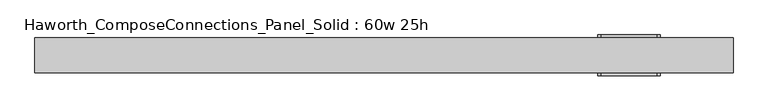
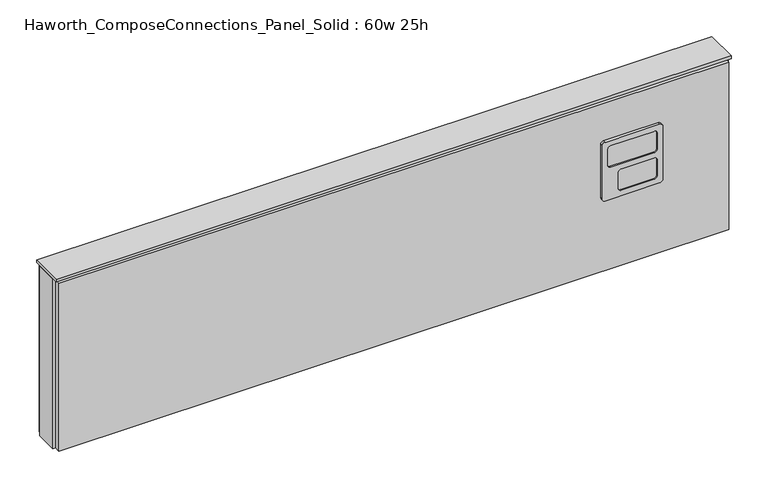
"""IFC4 building model written with IfcOpenShell, lengths in millimetres: furniture geometry, Haworth_ComposeConnections_Panel_Solid : 60w 25h."""

import ifcopenshell
import ifcopenshell.guid

model = None  # the IFC model being written
_history = None  # IfcOwnerHistory: only IFC2X3 demands one
_inside = {}  # id of a spatial element -> (the spatial element, [elements in it])
_under = {}  # id of a project, library or spatial element -> (it, [spatial elements below it])
_declared = {}  # id of a project -> (the project, [libraries it declares])
_typed = {}  # id of a type object -> (the type object, [elements of that type])
_made_of = {}  # id of a material, layer set ... -> (it, [elements and type objects made of it])


def new_model(schema):
    """Start an empty IFC model of exactly this schema.

    Asked for "IFC4X3", IfcOpenShell would pick the latest addendum, in which some entities
    have other attributes; the version numbers below select the first issue.
    IFC2X3 requires an IfcOwnerHistory on every rooted entity: one is made here for all.
    """
    global model, _history
    if schema == "IFC4X3":
        model = ifcopenshell.file(schema_version=(4, 3, 0, 0))
    else:
        model = ifcopenshell.file(schema=schema)
    _inside.clear()
    _under.clear()
    _declared.clear()
    _typed.clear()
    _made_of.clear()
    _history = None
    if model.schema == "IFC2X3":
        org = make("IfcOrganization", Name="unknown")
        user = make(
            "IfcPersonAndOrganization",
            ThePerson=make("IfcPerson", FamilyName="unknown"),
            TheOrganization=org,
        )
        app = make(
            "IfcApplication",
            ApplicationDeveloper=org,
            Version="unknown",
            ApplicationFullName="unknown",
            ApplicationIdentifier="unknown",
        )
        _history = make(
            "IfcOwnerHistory",
            OwningUser=user,
            OwningApplication=app,
            ChangeAction="ADDED",
            CreationDate=0,
        )
    return model


def make(cls, **values):
    """One entity of the class cls with the attributes given. An attribute that is None is left unset."""
    return model.create_entity(
        cls, **{name: value for name, value in values.items() if value is not None}
    )


def rooted(cls, **values):
    """An entity with a GlobalId (a new one), such as an element, a storey or a relation."""
    return make(cls, GlobalId=ifcopenshell.guid.new(), OwnerHistory=_history, **values)


def si_unit(unit_type, name, prefix=None):
    """IfcSIUnit, for example si_unit("LENGTHUNIT", "METRE", prefix="MILLI")."""
    return make("IfcSIUnit", UnitType=unit_type, Prefix=prefix, Name=name)


def assignment(units):
    """IfcUnitAssignment: the units of a project."""
    return None if units is None else make("IfcUnitAssignment", Units=units)


def point(xyz):
    """IfcCartesianPoint."""
    return None if xyz is None else make("IfcCartesianPoint", Coordinates=xyz)


def direction(xyz):
    """IfcDirection."""
    return None if xyz is None else make("IfcDirection", DirectionRatios=xyz)


def frame(location, z_axis=None, x_axis=None):
    """IfcAxis2Placement3D, a coordinate frame: its origin and axes. An axis left out is left unset."""
    return make(
        "IfcAxis2Placement3D",
        Location=point(location),
        Axis=direction(z_axis),
        RefDirection=direction(x_axis),
    )


def origin():
    """The frame at (0, 0, 0) with its axes left unset."""
    return frame((0.0, 0.0, 0.0))


def place(relative_to, where):
    """IfcLocalPlacement: puts the frame where relative to a parent placement (None: the world)."""
    return make(
        "IfcLocalPlacement", PlacementRelTo=relative_to, RelativePlacement=where
    )


def context(
    kind, dimensions, precision=None, world=None, true_north=None, identifier=None
):
    """IfcGeometricRepresentationContext, for example the 3D "Model" context."""
    return make(
        "IfcGeometricRepresentationContext",
        ContextIdentifier=identifier,
        ContextType=kind,
        CoordinateSpaceDimension=dimensions,
        Precision=precision,
        WorldCoordinateSystem=world,
        TrueNorth=true_north,
    )


def project(units=None, contexts=None):
    """IfcProject with its units and contexts."""
    return rooted(
        "IfcProject",
        Name="project",
        RepresentationContexts=contexts,
        UnitsInContext=assignment(units),
    )


def spatial(cls, under=None, at=None, **own):
    """A site, building, storey or space (cls), placed at a placement, below another one or the project."""
    s = rooted(cls, ObjectPlacement=at, **own)
    if under is not None:
        _under.setdefault(under.id(), (under, []))[1].append(s)
    return s


def polyline(points):
    """IfcPolyline through the points."""
    return make("IfcPolyline", Points=[point(p) for p in points])


def circle_curve(where, radius):
    """IfcCircle in the frame where."""
    return make("IfcCircle", Position=where, Radius=radius)


def outline(outer, holes=None, kind="AREA"):
    """IfcArbitraryClosedProfileDef: a profile drawn as a closed curve; with holes, ...WithVoids."""
    if holes is None:
        return make("IfcArbitraryClosedProfileDef", ProfileType=kind, OuterCurve=outer)
    return make(
        "IfcArbitraryProfileDefWithVoids",
        ProfileType=kind,
        OuterCurve=outer,
        InnerCurves=holes,
    )


def extrude(swept, where, along, depth):
    """IfcExtrudedAreaSolid: the profile swept, set in the frame where, extruded along a direction by depth."""
    return make(
        "IfcExtrudedAreaSolid",
        SweptArea=swept,
        Position=where,
        ExtrudedDirection=direction(along),
        Depth=depth,
    )


def shape(context_of_items, identifier, shape_type, items):
    """IfcShapeRepresentation: the items that make up one representation, for example the "Body"."""
    return make(
        "IfcShapeRepresentation",
        ContextOfItems=context_of_items,
        RepresentationIdentifier=identifier,
        RepresentationType=shape_type,
        Items=items,
    )


def source(mapping_origin, context_of_items, identifier, shape_type, items):
    """IfcRepresentationMap: a shape defined once, which mapped items show again and again."""
    return make(
        "IfcRepresentationMap",
        MappingOrigin=mapping_origin,
        MappedRepresentation=shape(context_of_items, identifier, shape_type, items),
    )


def transform(
    local_origin,
    x_axis=None,
    y_axis=None,
    z_axis=None,
    scale=None,
    scale2=None,
    scale3=None,
    uniform=True,
):
    """IfcCartesianTransformationOperator3D, or its non-uniform kind. x_axis, y_axis, z_axis: its Axis1, 2, 3."""
    if uniform:
        return make(
            "IfcCartesianTransformationOperator3D",
            Axis1=direction(x_axis),
            Axis2=direction(y_axis),
            LocalOrigin=point(local_origin),
            Scale=scale,
            Axis3=direction(z_axis),
        )
    return make(
        "IfcCartesianTransformationOperator3DnonUniform",
        Axis1=direction(x_axis),
        Axis2=direction(y_axis),
        LocalOrigin=point(local_origin),
        Scale=scale,
        Axis3=direction(z_axis),
        Scale2=scale2,
        Scale3=scale3,
    )


def mapped(mapping_source, mapping_target):
    """IfcMappedItem: shows the shape of a source again, moved by a transform."""
    return make(
        "IfcMappedItem", MappingSource=mapping_source, MappingTarget=mapping_target
    )


def made_of(thing, what):
    """Note that an element or type object is made of a material, layer set ...; save() writes the relation."""
    if what is not None:
        _made_of.setdefault(what.id(), (what, []))[1].append(thing)
    return thing


def element(
    cls,
    number,
    at=None,
    inside=None,
    cuts=None,
    type_object=None,
    material=None,
    context=None,
    identifier="Body",
    shape_type=None,
    held_by="IfcProductDefinitionShape",
    body=None,
    shapes=None,
    **own,
):
    """One element of the class cls, such as IfcWall. Its Tag is "e" and its number.

    at: its placement. inside: the storey or other place that contains it. cuts: it is an
    opening in that element (IfcRelVoidsElement). A single representation is given by context,
    identifier, shape_type and body (its items); several are given by shapes. held_by: the class
    of the entity that holds the representations. save() writes the other relations.
    """
    e = rooted(cls, Tag="e%d" % number, ObjectPlacement=at, **own)
    if body is not None:
        shapes = [shape(context, identifier, shape_type, body)]
    if shapes is not None:
        e.Representation = make(held_by, Representations=shapes)
    if inside is not None:
        _inside.setdefault(inside.id(), (inside, []))[1].append(e)
    if cuts is not None:
        rooted(
            "IfcRelVoidsElement", RelatingBuildingElement=cuts, RelatedOpeningElement=e
        )
    if type_object is not None:
        _typed.setdefault(type_object.id(), (type_object, []))[1].append(e)
    return made_of(e, material)


def aggregate(whole, parts):
    """IfcRelAggregates: a whole, such as a stair, and the parts it consists of."""
    return rooted("IfcRelAggregates", RelatingObject=whole, RelatedObjects=parts)


def save(model, path):
    """Write the relations noted so far, then the file.

    IfcRelAggregates (storeys below a building ...), IfcRelContainedInSpatialStructure (elements
    in a storey), IfcRelDefinesByType, IfcRelAssociatesMaterial and IfcRelDeclares: one each for
    every whole, place, type object, material and project.
    """
    for whole, parts in _under.values():
        aggregate(whole, parts)
    for where, things in _inside.values():
        rooted(
            "IfcRelContainedInSpatialStructure",
            RelatedElements=things,
            RelatingStructure=where,
        )
    for kind, things in _typed.values():
        rooted("IfcRelDefinesByType", RelatedObjects=things, RelatingType=kind)
    for what, things in _made_of.values():
        rooted("IfcRelAssociatesMaterial", RelatedObjects=things, RelatingMaterial=what)
    for by, libraries in _declared.values():
        rooted("IfcRelDeclares", RelatingContext=by, RelatedDefinitions=libraries)
    model.write(path)


def plane_surface(at):
    """IfcPlane: the flat surface through the origin of the frame at, square to its z axis."""
    return make("IfcPlane", Position=at)


def cylinder_surface(at, radius):
    """IfcCylindricalSurface: all points at the distance radius from the z axis of the frame at."""
    return make("IfcCylindricalSurface", Position=at, Radius=radius)


def revolved_surface(curve, axis_point, axis_direction):
    """IfcSurfaceOfRevolution: the curve turned about the line through axis_point along axis_direction."""
    return make(
        "IfcSurfaceOfRevolution",
        SweptCurve=make("IfcArbitraryOpenProfileDef", ProfileType="CURVE", Curve=curve),
        AxisPosition=make("IfcAxis1Placement", Location=point(axis_point), Axis=direction(axis_direction)),
    )


def advanced_brep(points, edges, surfaces, faces):
    """IfcAdvancedBrep: a solid bounded by faces that lie on surfaces and meet in shared edges.

    An edge is (start, end): straight between two places in points (the first is 0);
    or (start, end, curve); or (start, end, curve, False) where it runs against its curve.
    A face is (place in surfaces, loops), or (place, loops, False) where it looks against
    its surface's normal. A loop lists edges by number (the first is 1), with a minus sign
    where the edge is run from its end to its start. The first loop is the outer one.
    """
    corners = [point(p) for p in points]
    vertices = [make("IfcVertexPoint", VertexGeometry=c) for c in corners]
    made = []
    for start, end, *more in edges:
        made.append(
            make(
                "IfcEdgeCurve",
                EdgeStart=vertices[start],
                EdgeEnd=vertices[end],
                EdgeGeometry=more[0] if more else make("IfcPolyline", Points=[corners[start], corners[end]]),
                SameSense=more[1] if len(more) > 1 else True,
            )
        )
    hull = []
    for where, loops, *sense in faces:
        bounds = []
        for j, loop in enumerate(loops):
            ring = [make("IfcOrientedEdge", EdgeElement=made[abs(k) - 1], Orientation=k > 0) for k in loop]
            bounds.append(
                make(
                    "IfcFaceOuterBound" if j == 0 else "IfcFaceBound",
                    Bound=make("IfcEdgeLoop", EdgeList=ring),
                    Orientation=True,
                )
            )
        hull.append(make("IfcAdvancedFace", Bounds=bounds, FaceSurface=surfaces[where], SameSense=sense[0] if sense else True))
    return make("IfcAdvancedBrep", Outer=make("IfcClosedShell", CfsFaces=hull))


def haworth_composeconnections_panel_solid_60w_25h_8f23aef7(model_context):
    return source(origin(), model_context, "Body", "SolidModel", [
        advanced_brep(
        [(475.5152902, 38.1, 546.1), (469.1652902, 38.1, 539.75), (469.1652902, 38.1, 412.75), (475.5152902, 38.1, 406.4), (599.3402902, 38.1, 406.4), (605.6902902, 38.1, 412.75), (605.6902902, 38.1, 539.75), (599.3402902, 38.1, 546.1), (475.5152902, 44.45, 546.1), (599.3402902, 44.45, 546.1), (605.6902902, 44.45, 539.75), (605.6902902, 44.45, 412.75), (599.3402902, 44.45, 406.4), (475.5152902, 44.45, 406.4), (469.1652902, 44.45, 412.75), (469.1652902, 44.45, 539.75), (488.2152902, 44.45, 533.4), (481.8652902, 44.45, 527.05), (481.8652902, 44.45, 488.95), (488.2152902, 44.45, 482.6), (586.6402902, 44.45, 482.6), (592.9902902, 44.45, 488.95), (592.9902902, 44.45, 527.05), (586.6402902, 44.45, 533.4), (488.2152902, 44.45, 469.9), (481.8652902, 44.45, 463.55), (481.8652902, 44.45, 425.45), (488.2152902, 44.45, 419.1), (562.8277902, 44.45, 419.1), (569.1777902, 44.45, 425.45), (569.1777902, 44.45, 463.55), (562.8277902, 44.45, 469.9), (488.2152902, 41.275, 533.4), (586.6402902, 41.275, 533.4), (592.9902902, 41.275, 527.05), (592.9902902, 41.275, 488.95), (586.6402902, 41.275, 482.6), (488.2152902, 41.275, 482.6), (481.8652902, 41.275, 488.95), (481.8652902, 41.275, 527.05), (488.2152902, 41.275, 469.9), (562.8277902, 41.275, 469.9), (569.1777902, 41.275, 463.55), (569.1777902, 41.275, 425.45), (562.8277902, 41.275, 419.1), (488.2152902, 41.275, 419.1), (481.8652902, 41.275, 425.45), (481.8652902, 41.275, 463.55)],
        [
            (0, 1, circle_curve(frame((475.5152902, 38.1, 539.75), z_axis=(0.0, -1.0, 0.0), x_axis=(1.0, 0.0, 0.0)), 6.35)),
            (1, 2),
            (2, 3, circle_curve(frame((475.5152902, 38.1, 412.75), z_axis=(0.0, -1.0, 0.0), x_axis=(1.0, 0.0, 0.0)), 6.35)),
            (3, 4),
            (4, 5, circle_curve(frame((599.3402902, 38.1, 412.75), z_axis=(0.0, -1.0, 0.0), x_axis=(1.0, 0.0, 0.0)), 6.35)),
            (5, 6),
            (6, 7, circle_curve(frame((599.3402902, 38.1, 539.75), z_axis=(0.0, -1.0, 0.0), x_axis=(1.0, 0.0, 0.0)), 6.35)),
            (7, 0),
            (8, 9),
            (9, 10, circle_curve(frame((599.3402902, 44.45, 539.75), z_axis=(0.0, 1.0, 0.0), x_axis=(1.0, 0.0, 0.0)), 6.35)),
            (10, 11),
            (11, 12, circle_curve(frame((599.3402902, 44.45, 412.75), z_axis=(0.0, 1.0, 0.0), x_axis=(1.0, 0.0, 0.0)), 6.35)),
            (12, 13),
            (13, 14, circle_curve(frame((475.5152902, 44.45, 412.75), z_axis=(0.0, 1.0, 0.0), x_axis=(1.0, 0.0, 0.0)), 6.35)),
            (14, 15),
            (15, 8, circle_curve(frame((475.5152902, 44.45, 539.75), z_axis=(0.0, 1.0, 0.0), x_axis=(1.0, 0.0, 0.0)), 6.35)),
            (16, 17, circle_curve(frame((488.2152902, 44.45, 527.05), z_axis=(0.0, -1.0, 0.0), x_axis=(1.0, 0.0, 0.0)), 6.35)),
            (17, 18),
            (18, 19, circle_curve(frame((488.2152902, 44.45, 488.95), z_axis=(0.0, -1.0, 0.0), x_axis=(1.0, 0.0, 0.0)), 6.35)),
            (19, 20),
            (20, 21, circle_curve(frame((586.6402902, 44.45, 488.95), z_axis=(0.0, -1.0, 0.0), x_axis=(1.0, 0.0, 0.0)), 6.35)),
            (21, 22),
            (22, 23, circle_curve(frame((586.6402902, 44.45, 527.05), z_axis=(0.0, -1.0, 0.0), x_axis=(1.0, 0.0, 0.0)), 6.35)),
            (23, 16),
            (24, 25, circle_curve(frame((488.2152902, 44.45, 463.55), z_axis=(0.0, -1.0, 0.0), x_axis=(1.0, 0.0, 0.0)), 6.35)),
            (25, 26),
            (26, 27, circle_curve(frame((488.2152902, 44.45, 425.45), z_axis=(0.0, -1.0, 0.0), x_axis=(1.0, 0.0, 0.0)), 6.35)),
            (27, 28),
            (28, 29, circle_curve(frame((562.8277902, 44.45, 425.45), z_axis=(0.0, -1.0, 0.0), x_axis=(1.0, 0.0, 0.0)), 6.35)),
            (29, 30),
            (30, 31, circle_curve(frame((562.8277902, 44.45, 463.55), z_axis=(0.0, -1.0, 0.0), x_axis=(1.0, 0.0, 0.0)), 6.35)),
            (31, 24),
            (0, 8),
            (15, 1),
            (14, 2),
            (13, 3),
            (12, 4),
            (11, 5),
            (10, 6),
            (9, 7),
            (32, 33),
            (33, 34, circle_curve(frame((586.6402902, 41.275, 527.05), z_axis=(0.0, 1.0, 0.0), x_axis=(1.0, 0.0, 0.0)), 6.35)),
            (34, 35),
            (35, 36, circle_curve(frame((586.6402902, 41.275, 488.95), z_axis=(0.0, 1.0, 0.0), x_axis=(1.0, 0.0, 0.0)), 6.35)),
            (36, 37),
            (37, 38, circle_curve(frame((488.2152902, 41.275, 488.95), z_axis=(0.0, 1.0, 0.0), x_axis=(1.0, 0.0, 0.0)), 6.35)),
            (38, 39),
            (39, 32, circle_curve(frame((488.2152902, 41.275, 527.05), z_axis=(0.0, 1.0, 0.0), x_axis=(1.0, 0.0, 0.0)), 6.35)),
            (40, 41),
            (41, 42, circle_curve(frame((562.8277902, 41.275, 463.55), z_axis=(0.0, 1.0, 0.0), x_axis=(1.0, 0.0, 0.0)), 6.35)),
            (42, 43),
            (43, 44, circle_curve(frame((562.8277902, 41.275, 425.45), z_axis=(0.0, 1.0, 0.0), x_axis=(1.0, 0.0, 0.0)), 6.35)),
            (44, 45),
            (45, 46, circle_curve(frame((488.2152902, 41.275, 425.45), z_axis=(0.0, 1.0, 0.0), x_axis=(1.0, 0.0, 0.0)), 6.35)),
            (46, 47),
            (47, 40, circle_curve(frame((488.2152902, 41.275, 463.55), z_axis=(0.0, 1.0, 0.0), x_axis=(1.0, 0.0, 0.0)), 6.35)),
            (39, 17),
            (16, 32),
            (38, 18),
            (37, 19),
            (36, 20),
            (35, 21),
            (34, 22),
            (33, 23),
            (47, 25),
            (24, 40),
            (46, 26),
            (45, 27),
            (44, 28),
            (43, 29),
            (42, 30),
            (41, 31),
        ],
        [
            plane_surface(frame((481.8652902, 38.1, 539.75), z_axis=(0.0, -1.0, 0.0), x_axis=(0.0, 0.0, 1.0))),
            plane_surface(frame((481.8652902, 44.45, 539.75), z_axis=(0.0, 1.0, 0.0), x_axis=(0.0, 0.0, -1.0))),
            cylinder_surface(frame((475.5152902, 44.45, 539.75), z_axis=(0.0, -1.0, 0.0), x_axis=(1.0, 0.0, 0.0)), 6.35),
            plane_surface(frame((469.1652902, 38.1, 539.75), z_axis=(-1.0, 0.0, 0.0), x_axis=(0.0, 1.0, 0.0))),
            cylinder_surface(frame((475.5152902, 44.45, 412.75), z_axis=(0.0, -1.0, 0.0), x_axis=(1.0, 0.0, 0.0)), 6.35),
            plane_surface(frame((475.5152902, 38.1, 406.4), z_axis=(0.0, 0.0, -1.0), x_axis=(0.0, 1.0, 0.0))),
            cylinder_surface(frame((599.3402902, 44.45, 412.75), z_axis=(0.0, -1.0, 0.0), x_axis=(1.0, 0.0, 0.0)), 6.35),
            plane_surface(frame((605.6902902, 38.1, 412.75), z_axis=(1.0, 0.0, 0.0), x_axis=(0.0, 1.0, 0.0))),
            cylinder_surface(frame((599.3402902, 44.45, 539.75), z_axis=(0.0, -1.0, 0.0), x_axis=(1.0, 0.0, 0.0)), 6.35),
            plane_surface(frame((599.3402902, 38.1, 546.1), z_axis=(0.0, 0.0, 1.0), x_axis=(0.0, 1.0, 0.0))),
            plane_surface(frame((494.5652902, 41.275, 527.05), z_axis=(0.0, 1.0, 0.0), x_axis=(0.0, 0.0, 1.0))),
            revolved_surface(polyline([(494.56529020000005, 41.275, 527.05), (494.56529020000005, 44.45, 527.05)]), (488.2152902, 44.45, 527.05), (0.0, -1.0, 0.0)),
            plane_surface(frame((481.8652902, 41.275, 527.05), z_axis=(1.0, 0.0, 0.0), x_axis=(0.0, 1.0, 0.0))),
            revolved_surface(polyline([(494.56529020000005, 41.275, 488.95), (494.56529020000005, 44.45, 488.95)]), (488.2152902, 44.45, 488.95), (0.0, -1.0, 0.0)),
            plane_surface(frame((488.2152902, 41.275, 482.6), z_axis=(0.0, 0.0, 1.0), x_axis=(0.0, 1.0, 0.0))),
            revolved_surface(polyline([(592.9902902, 41.275, 488.95), (592.9902902, 44.45, 488.95)]), (586.6402902, 44.45, 488.95), (0.0, -1.0, 0.0)),
            plane_surface(frame((592.9902902, 41.275, 488.95), z_axis=(-1.0, 0.0, 0.0), x_axis=(0.0, 1.0, 0.0))),
            revolved_surface(polyline([(592.9902902, 41.275, 527.05), (592.9902902, 44.45, 527.05)]), (586.6402902, 44.45, 527.05), (0.0, -1.0, 0.0)),
            plane_surface(frame((586.6402902, 41.275, 533.4), z_axis=(0.0, 0.0, -1.0), x_axis=(0.0, 1.0, 0.0))),
            revolved_surface(polyline([(494.56529020000005, 41.275, 463.55), (494.56529020000005, 44.45, 463.55)]), (488.2152902, 44.45, 463.55), (0.0, -1.0, 0.0)),
            plane_surface(frame((481.8652902, 41.275, 463.55), z_axis=(1.0, 0.0, 0.0), x_axis=(0.0, 1.0, 0.0))),
            revolved_surface(polyline([(494.56529020000005, 41.275, 425.45), (494.56529020000005, 44.45, 425.45)]), (488.2152902, 44.45, 425.45), (0.0, -1.0, 0.0)),
            plane_surface(frame((488.2152902, 41.275, 419.1), z_axis=(0.0, 0.0, 1.0), x_axis=(0.0, 1.0, 0.0))),
            revolved_surface(polyline([(569.1777902, 41.275, 425.45), (569.1777902, 44.45, 425.45)]), (562.8277902, 44.45, 425.45), (0.0, -1.0, 0.0)),
            plane_surface(frame((569.1777902, 41.275, 425.45), z_axis=(-1.0, 0.0, 0.0), x_axis=(0.0, 1.0, 0.0))),
            revolved_surface(polyline([(569.1777902, 41.275, 463.55), (569.1777902, 44.45, 463.55)]), (562.8277902, 44.45, 463.55), (0.0, -1.0, 0.0)),
            plane_surface(frame((562.8277902, 41.275, 469.9), z_axis=(0.0, 0.0, -1.0), x_axis=(0.0, 1.0, 0.0))),
        ],
        [
            (0, [[1, 2, 3, 4, 5, 6, 7, 8]]),
            (1, [[9, 10, 11, 12, 13, 14, 15, 16], [17, 18, 19, 20, 21, 22, 23, 24], [25, 26, 27, 28, 29, 30, 31, 32]]),
            (2, [[-1, 33, -16, 34]]),
            (3, [[-2, -34, -15, 35]]),
            (4, [[-3, -35, -14, 36]]),
            (5, [[-4, -36, -13, 37]]),
            (6, [[-5, -37, -12, 38]]),
            (7, [[-6, -38, -11, 39]]),
            (8, [[-7, -39, -10, 40]]),
            (9, [[-8, -40, -9, -33]]),
            (10, [[41, 42, 43, 44, 45, 46, 47, 48]]),
            (10, [[49, 50, 51, 52, 53, 54, 55, 56]]),
            (11, [[-48, 57, -17, 58]]),
            (12, [[-47, 59, -18, -57]]),
            (13, [[-46, 60, -19, -59]]),
            (14, [[-45, 61, -20, -60]]),
            (15, [[-44, 62, -21, -61]]),
            (16, [[-43, 63, -22, -62]]),
            (17, [[-42, 64, -23, -63]]),
            (18, [[-41, -58, -24, -64]]),
            (19, [[-56, 65, -25, 66]]),
            (20, [[-55, 67, -26, -65]]),
            (21, [[-54, 68, -27, -67]]),
            (22, [[-53, 69, -28, -68]]),
            (23, [[-52, 70, -29, -69]]),
            (24, [[-51, 71, -30, -70]]),
            (25, [[-50, 72, -31, -71]]),
            (26, [[-49, -66, -32, -72]]),
        ],
    ),
        advanced_brep(
        [(599.3402902, -38.1, 546.1), (605.6902902, -38.1, 539.75), (605.6902902, -38.1, 412.75), (599.3402902, -38.1, 406.4), (475.5152902, -38.1, 406.4), (469.1652902, -38.1, 412.75), (469.1652902, -38.1, 539.75), (475.5152902, -38.1, 546.1), (599.3402902, -44.45, 546.1), (475.5152902, -44.45, 546.1), (469.1652902, -44.45, 539.75), (469.1652902, -44.45, 412.75), (475.5152902, -44.45, 406.4), (599.3402902, -44.45, 406.4), (605.6902902, -44.45, 412.75), (605.6902902, -44.45, 539.75), (586.6402902, -44.45, 533.4), (592.9902902, -44.45, 527.05), (592.9902902, -44.45, 488.95), (586.6402902, -44.45, 482.6), (488.2152902, -44.45, 482.6), (481.8652902, -44.45, 488.95), (481.8652902, -44.45, 527.05), (488.2152902, -44.45, 533.4), (586.6402902, -44.45, 469.9), (592.9902902, -44.45, 463.55), (592.9902902, -44.45, 425.45), (586.6402902, -44.45, 419.1), (512.0277902, -44.45, 419.1), (505.6777902, -44.45, 425.45), (505.6777902, -44.45, 463.55), (512.0277902, -44.45, 469.9), (586.6402902, -41.275, 533.4), (488.2152902, -41.275, 533.4), (481.8652902, -41.275, 527.05), (481.8652902, -41.275, 488.95), (488.2152902, -41.275, 482.6), (586.6402902, -41.275, 482.6), (592.9902902, -41.275, 488.95), (592.9902902, -41.275, 527.05), (586.6402902, -41.275, 469.9), (512.0277902, -41.275, 469.9), (505.6777902, -41.275, 463.55), (505.6777902, -41.275, 425.45), (512.0277902, -41.275, 419.1), (586.6402902, -41.275, 419.1), (592.9902902, -41.275, 425.45), (592.9902902, -41.275, 463.55)],
        [
            (0, 1, circle_curve(frame((599.3402902, -38.1, 539.75), z_axis=(0.0, 1.0, 0.0), x_axis=(-1.0, 0.0, 0.0)), 6.35)),
            (1, 2),
            (2, 3, circle_curve(frame((599.3402902, -38.1, 412.75), z_axis=(0.0, 1.0, 0.0), x_axis=(-1.0, 0.0, 0.0)), 6.35)),
            (3, 4),
            (4, 5, circle_curve(frame((475.5152902, -38.1, 412.75), z_axis=(0.0, 1.0, 0.0), x_axis=(-1.0, 0.0, 0.0)), 6.35)),
            (5, 6),
            (6, 7, circle_curve(frame((475.5152902, -38.1, 539.75), z_axis=(0.0, 1.0, 0.0), x_axis=(-1.0, 0.0, 0.0)), 6.35)),
            (7, 0),
            (8, 9),
            (9, 10, circle_curve(frame((475.5152902, -44.45, 539.75), z_axis=(0.0, -1.0, 0.0), x_axis=(-1.0, 0.0, 0.0)), 6.35)),
            (10, 11),
            (11, 12, circle_curve(frame((475.5152902, -44.45, 412.75), z_axis=(0.0, -1.0, 0.0), x_axis=(-1.0, 0.0, 0.0)), 6.35)),
            (12, 13),
            (13, 14, circle_curve(frame((599.3402902, -44.45, 412.75), z_axis=(0.0, -1.0, 0.0), x_axis=(-1.0, 0.0, 0.0)), 6.35)),
            (14, 15),
            (15, 8, circle_curve(frame((599.3402902, -44.45, 539.75), z_axis=(0.0, -1.0, 0.0), x_axis=(-1.0, 0.0, 0.0)), 6.35)),
            (16, 17, circle_curve(frame((586.6402902, -44.45, 527.05), z_axis=(0.0, 1.0, 0.0), x_axis=(-1.0, 0.0, 0.0)), 6.35)),
            (17, 18),
            (18, 19, circle_curve(frame((586.6402902, -44.45, 488.95), z_axis=(0.0, 1.0, 0.0), x_axis=(-1.0, 0.0, 0.0)), 6.35)),
            (19, 20),
            (20, 21, circle_curve(frame((488.2152902, -44.45, 488.95), z_axis=(0.0, 1.0, 0.0), x_axis=(-1.0, 0.0, 0.0)), 6.35)),
            (21, 22),
            (22, 23, circle_curve(frame((488.2152902, -44.45, 527.05), z_axis=(0.0, 1.0, 0.0), x_axis=(-1.0, 0.0, 0.0)), 6.35)),
            (23, 16),
            (24, 25, circle_curve(frame((586.6402902, -44.45, 463.55), z_axis=(0.0, 1.0, 0.0), x_axis=(-1.0, 0.0, 0.0)), 6.35)),
            (25, 26),
            (26, 27, circle_curve(frame((586.6402902, -44.45, 425.45), z_axis=(0.0, 1.0, 0.0), x_axis=(-1.0, 0.0, 0.0)), 6.35)),
            (27, 28),
            (28, 29, circle_curve(frame((512.0277902, -44.45, 425.45), z_axis=(0.0, 1.0, 0.0), x_axis=(-1.0, 0.0, 0.0)), 6.35)),
            (29, 30),
            (30, 31, circle_curve(frame((512.0277902, -44.45, 463.55), z_axis=(0.0, 1.0, 0.0), x_axis=(-1.0, 0.0, 0.0)), 6.35)),
            (31, 24),
            (0, 8),
            (15, 1),
            (14, 2),
            (13, 3),
            (12, 4),
            (11, 5),
            (10, 6),
            (9, 7),
            (32, 33),
            (33, 34, circle_curve(frame((488.2152902, -41.275, 527.05), z_axis=(0.0, -1.0, 0.0), x_axis=(-1.0, 0.0, 0.0)), 6.35)),
            (34, 35),
            (35, 36, circle_curve(frame((488.2152902, -41.275, 488.95), z_axis=(0.0, -1.0, 0.0), x_axis=(-1.0, 0.0, 0.0)), 6.35)),
            (36, 37),
            (37, 38, circle_curve(frame((586.6402902, -41.275, 488.95), z_axis=(0.0, -1.0, 0.0), x_axis=(-1.0, 0.0, 0.0)), 6.35)),
            (38, 39),
            (39, 32, circle_curve(frame((586.6402902, -41.275, 527.05), z_axis=(0.0, -1.0, 0.0), x_axis=(-1.0, 0.0, 0.0)), 6.35)),
            (40, 41),
            (41, 42, circle_curve(frame((512.0277902, -41.275, 463.55), z_axis=(0.0, -1.0, 0.0), x_axis=(-1.0, 0.0, 0.0)), 6.35)),
            (42, 43),
            (43, 44, circle_curve(frame((512.0277902, -41.275, 425.45), z_axis=(0.0, -1.0, 0.0), x_axis=(-1.0, 0.0, 0.0)), 6.35)),
            (44, 45),
            (45, 46, circle_curve(frame((586.6402902, -41.275, 425.45), z_axis=(0.0, -1.0, 0.0), x_axis=(-1.0, 0.0, 0.0)), 6.35)),
            (46, 47),
            (47, 40, circle_curve(frame((586.6402902, -41.275, 463.55), z_axis=(0.0, -1.0, 0.0), x_axis=(-1.0, 0.0, 0.0)), 6.35)),
            (39, 17),
            (16, 32),
            (38, 18),
            (37, 19),
            (36, 20),
            (35, 21),
            (34, 22),
            (33, 23),
            (47, 25),
            (24, 40),
            (46, 26),
            (45, 27),
            (44, 28),
            (43, 29),
            (42, 30),
            (41, 31),
        ],
        [
            plane_surface(frame((592.9902902, -38.1, 539.75), z_axis=(0.0, 1.0, 0.0), x_axis=(0.0, 0.0, 1.0))),
            plane_surface(frame((592.9902902, -44.45, 539.75), z_axis=(0.0, -1.0, 0.0), x_axis=(0.0, 0.0, -1.0))),
            cylinder_surface(frame((599.3402902, -44.45, 539.75), z_axis=(0.0, 1.0, 0.0), x_axis=(-1.0, 0.0, 0.0)), 6.35),
            plane_surface(frame((605.6902902, -38.1, 539.75), z_axis=(1.0, 0.0, 0.0), x_axis=(0.0, -1.0, 0.0))),
            cylinder_surface(frame((599.3402902, -44.45, 412.75), z_axis=(0.0, 1.0, 0.0), x_axis=(-1.0, 0.0, 0.0)), 6.35),
            plane_surface(frame((599.3402902, -38.1, 406.4), z_axis=(0.0, 0.0, -1.0), x_axis=(0.0, -1.0, 0.0))),
            cylinder_surface(frame((475.5152902, -44.45, 412.75), z_axis=(0.0, 1.0, 0.0), x_axis=(-1.0, 0.0, 0.0)), 6.35),
            plane_surface(frame((469.1652902, -38.1, 412.75), z_axis=(-1.0, 0.0, 0.0), x_axis=(0.0, -1.0, 0.0))),
            cylinder_surface(frame((475.5152902, -44.45, 539.75), z_axis=(0.0, 1.0, 0.0), x_axis=(-1.0, 0.0, 0.0)), 6.35),
            plane_surface(frame((475.5152902, -38.1, 546.1), z_axis=(0.0, 0.0, 1.0), x_axis=(0.0, -1.0, 0.0))),
            plane_surface(frame((580.2902902, -41.275, 527.05), z_axis=(0.0, -1.0, 0.0), x_axis=(0.0, 0.0, 1.0))),
            revolved_surface(polyline([(580.2902902, -41.275, 527.05), (580.2902902, -44.45, 527.05)]), (586.6402902, -44.45, 527.05), (0.0, 1.0, 0.0)),
            plane_surface(frame((592.9902902, -41.275, 527.05), z_axis=(-1.0, 0.0, 0.0), x_axis=(0.0, -1.0, 0.0))),
            revolved_surface(polyline([(580.2902902, -41.275, 488.95), (580.2902902, -44.45, 488.95)]), (586.6402902, -44.45, 488.95), (0.0, 1.0, 0.0)),
            plane_surface(frame((586.6402902, -41.275, 482.6), z_axis=(0.0, 0.0, 1.0), x_axis=(0.0, -1.0, 0.0))),
            revolved_surface(polyline([(481.8652902, -41.275, 488.95), (481.8652902, -44.45, 488.95)]), (488.2152902, -44.45, 488.95), (0.0, 1.0, 0.0)),
            plane_surface(frame((481.8652902, -41.275, 488.95), z_axis=(1.0, 0.0, 0.0), x_axis=(0.0, -1.0, 0.0))),
            revolved_surface(polyline([(481.8652902, -41.275, 527.05), (481.8652902, -44.45, 527.05)]), (488.2152902, -44.45, 527.05), (0.0, 1.0, 0.0)),
            plane_surface(frame((488.2152902, -41.275, 533.4), z_axis=(0.0, 0.0, -1.0), x_axis=(0.0, -1.0, 0.0))),
            revolved_surface(polyline([(580.2902902, -41.275, 463.55), (580.2902902, -44.45, 463.55)]), (586.6402902, -44.45, 463.55), (0.0, 1.0, 0.0)),
            plane_surface(frame((592.9902902, -41.275, 463.55), z_axis=(-1.0, 0.0, 0.0), x_axis=(0.0, -1.0, 0.0))),
            revolved_surface(polyline([(580.2902902, -41.275, 425.45), (580.2902902, -44.45, 425.45)]), (586.6402902, -44.45, 425.45), (0.0, 1.0, 0.0)),
            plane_surface(frame((586.6402902, -41.275, 419.1), z_axis=(0.0, 0.0, 1.0), x_axis=(0.0, -1.0, 0.0))),
            revolved_surface(polyline([(505.6777902, -41.275, 425.45), (505.6777902, -44.45, 425.45)]), (512.0277902, -44.45, 425.45), (0.0, 1.0, 0.0)),
            plane_surface(frame((505.6777902, -41.275, 425.45), z_axis=(1.0, 0.0, 0.0), x_axis=(0.0, -1.0, 0.0))),
            revolved_surface(polyline([(505.6777902, -41.275, 463.55), (505.6777902, -44.45, 463.55)]), (512.0277902, -44.45, 463.55), (0.0, 1.0, 0.0)),
            plane_surface(frame((512.0277902, -41.275, 469.9), z_axis=(0.0, 0.0, -1.0), x_axis=(0.0, -1.0, 0.0))),
        ],
        [
            (0, [[1, 2, 3, 4, 5, 6, 7, 8]]),
            (1, [[9, 10, 11, 12, 13, 14, 15, 16], [17, 18, 19, 20, 21, 22, 23, 24], [25, 26, 27, 28, 29, 30, 31, 32]]),
            (2, [[-1, 33, -16, 34]]),
            (3, [[-2, -34, -15, 35]]),
            (4, [[-3, -35, -14, 36]]),
            (5, [[-4, -36, -13, 37]]),
            (6, [[-5, -37, -12, 38]]),
            (7, [[-6, -38, -11, 39]]),
            (8, [[-7, -39, -10, 40]]),
            (9, [[-8, -40, -9, -33]]),
            (10, [[41, 42, 43, 44, 45, 46, 47, 48]]),
            (10, [[49, 50, 51, 52, 53, 54, 55, 56]]),
            (11, [[-48, 57, -17, 58]]),
            (12, [[-47, 59, -18, -57]]),
            (13, [[-46, 60, -19, -59]]),
            (14, [[-45, 61, -20, -60]]),
            (15, [[-44, 62, -21, -61]]),
            (16, [[-43, 63, -22, -62]]),
            (17, [[-42, 64, -23, -63]]),
            (18, [[-41, -58, -24, -64]]),
            (19, [[-56, 65, -25, 66]]),
            (20, [[-55, 67, -26, -65]]),
            (21, [[-54, 68, -27, -67]]),
            (22, [[-53, 69, -28, -68]]),
            (23, [[-52, 70, -29, -69]]),
            (24, [[-51, 71, -30, -70]]),
            (25, [[-50, 72, -31, -71]]),
            (26, [[-49, -66, -32, -72]]),
        ],
    ),
        extrude(outline(polyline([(764.4402902, -25.4), (-759.5597098, -25.4), (-759.5597098, 25.4), (764.4402902, 25.4), (764.4402902, -25.4)])), frame((0.0, 0.0, 234.95), z_axis=(0.0, 0.0, 1.0), x_axis=(1.0, 0.0, 0.0)), (0.0, 0.0, 1.0), 406.4),
        extrude(outline(polyline([(-753.2097098, -25.4), (758.0902902, -25.4), (758.0902902, -38.1), (-753.2097098, -38.1), (-753.2097098, -25.4)])), frame((0.0, 0.0, 234.95), z_axis=(0.0, 0.0, 1.0), x_axis=(1.0, 0.0, 0.0)), (0.0, 0.0, 1.0), 400.05),
        extrude(outline(polyline([(-753.2097098, 38.1), (758.0902902, 38.1), (758.0902902, 25.4), (-753.2097098, 25.4), (-753.2097098, 38.1)])), frame((0.0, 0.0, 234.95), z_axis=(0.0, 0.0, 1.0), x_axis=(1.0, 0.0, 0.0)), (0.0, 0.0, 1.0), 400.05),
        extrude(outline(polyline([(-759.5597098, -38.1), (-759.5597098, 38.1), (764.4402902, 38.1), (764.4402902, -38.1), (-759.5597098, -38.1)])), frame((0.0, 0.0, 641.35), z_axis=(0.0, 0.0, 1.0), x_axis=(1.0, 0.0, 0.0)), (0.0, 0.0, 1.0), 6.35),
    ])


if __name__ == "__main__":
    model = new_model("IFC4")
    model_context = context("Model", 3, world=origin())
    ifc_project = project(units=[si_unit("LENGTHUNIT", "METRE", prefix="MILLI")], contexts=[model_context])
    site = spatial("IfcSite", under=ifc_project)
    building = spatial("IfcBuilding", under=site)
    placement = place(None, origin())
    haworth_composeconnections_panel_solid_60w_25h_shape = haworth_composeconnections_panel_solid_60w_25h_8f23aef7(model_context)
    element("IfcFurniture", 1, ObjectType="Haworth_ComposeConnections_Panel_Solid : 60w 25h", at=placement, inside=building, context=model_context, shape_type="MappedRepresentation", body=[
        mapped(haworth_composeconnections_panel_solid_60w_25h_shape, transform((0.0, 0.0, 0.0), x_axis=(1.0, 0.0, 0.0), y_axis=(0.0, 1.0, 0.0), z_axis=(0.0, 0.0, 1.0))),
    ])
    save(model, "model.ifc")
